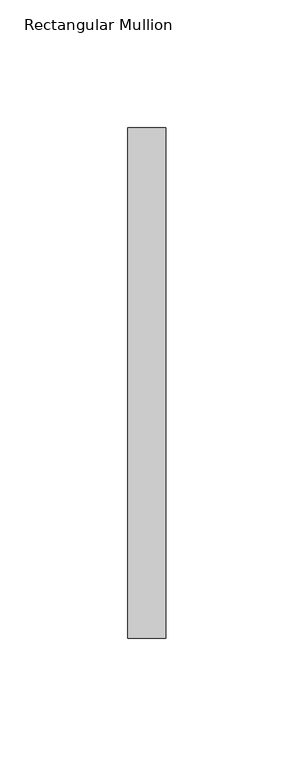
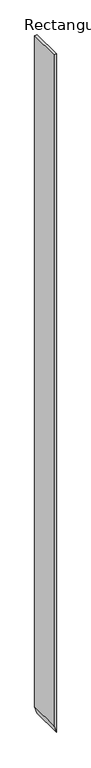
"""IFC4 building model written with IfcOpenShell, lengths in millimetres: member geometry, Rectangular Mullion."""

from ifc_helpers import new_model, si_unit, frame, origin, place, context, project, spatial, polyline, outline, extrude, source, transform, mapped, element, save


def rectangular_mullion_7cd06df5(model_context):
    return source(origin(), model_context, "Body", "SweptSolid", [
        extrude(outline(polyline([(0.0, 0.0), (0.0, -15.0), (-4276.6868254, -15.0), (-4324.5564782, 0.0), (0.0, 0.0)])), frame((0.0, -253.0, 0.0), z_axis=(0.0, 1.0, 0.0), x_axis=(0.0, 0.0, 1.0)), (0.0, 0.0, 1.0), 200.0),
    ])


if __name__ == "__main__":
    model = new_model("IFC4")
    model_context = context("Model", 3, world=origin())
    ifc_project = project(units=[si_unit("LENGTHUNIT", "METRE", prefix="MILLI")], contexts=[model_context])
    site = spatial("IfcSite", under=ifc_project)
    building = spatial("IfcBuilding", under=site)
    placement = place(None, origin())
    rectangular_mullion_shape = rectangular_mullion_7cd06df5(model_context)
    element("IfcMember", 1, ObjectType="Rectangular Mullion", at=placement, inside=building, context=model_context, shape_type="MappedRepresentation", body=[
        mapped(rectangular_mullion_shape, transform((0.0, 0.0, 0.0), x_axis=(1.0, 0.0, 0.0), y_axis=(0.0, 1.0, 0.0), z_axis=(0.0, 0.0, 1.0))),
    ])
    save(model, "model.ifc")
